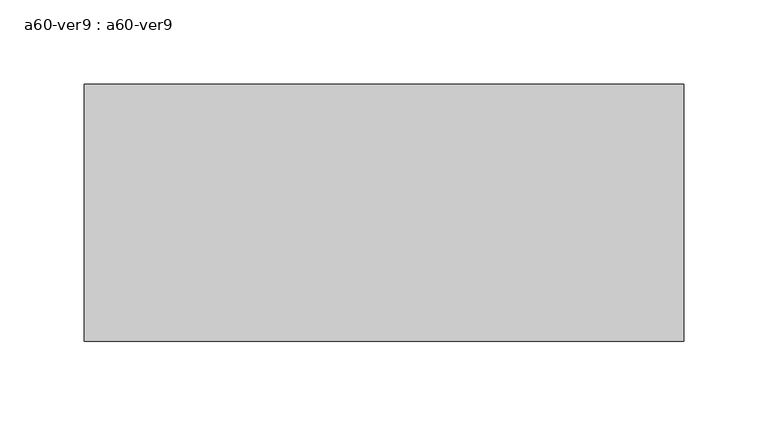
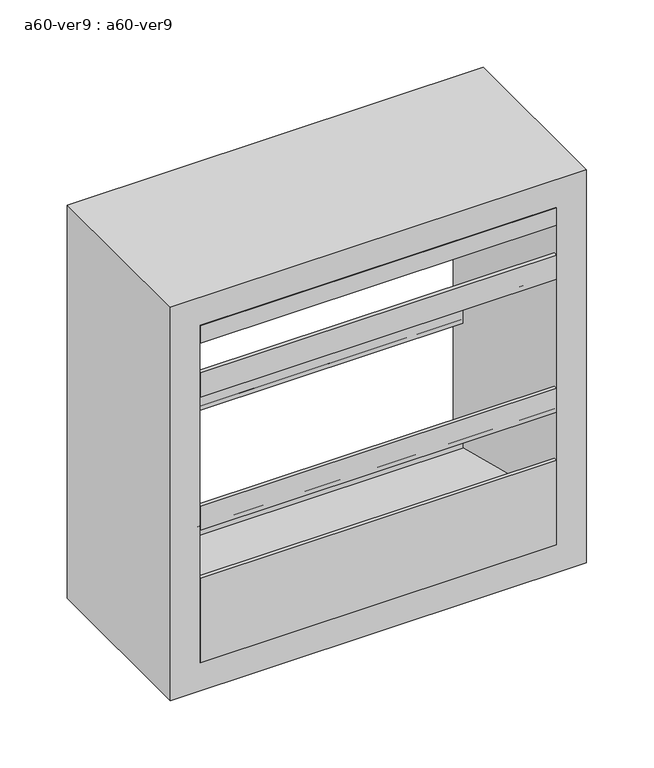
"""IFC4 building model written with IfcOpenShell, lengths in millimetres: proxy geometry, a60-ver9 : a60-ver9."""

from ifc_helpers import new_model, si_unit, frame, origin, place, context, project, spatial, polyline, outline, extrude, source, transform, mapped, element, save


def a60_ver9_a60_ver9_a715461c(model_context):
    return source(origin(), model_context, "Body", "SweptSolid", [
        extrude(outline(polyline([(-73.025, 1360.4657367), (-73.025, 1340.29979), (65.3071116, 1234.1538275), (65.3071116, 1216.3154476), (73.025, 1210.3933035), (73.025, 1235.1079125), (76.2, 1235.1079125), (76.2, 1206.5), (72.883344, 1206.5), (62.1321116, 1214.7497108), (62.1321116, 1232.5880908), (-76.2, 1338.7340533), (-76.2, 1360.4657367), (-73.025, 1360.4657367)])), frame((-152.4, 0.0, 0.0), z_axis=(1.0, 0.0, 0.0), x_axis=(0.0, 1.0, 0.0)), (0.0, 0.0, 1.0), 304.8),
        extrude(outline(polyline([(-73.025, 1481.1157367), (-73.025, 1460.94979), (65.3071116, 1354.8038275), (65.3071116, 1336.9654476), (73.025, 1331.0433035), (73.025, 1355.7579125), (76.2, 1355.7579125), (76.2, 1327.15), (72.883344, 1327.15), (62.1321116, 1335.3997108), (62.1321116, 1353.2380908), (-76.2, 1459.3840533), (-76.2, 1481.1157367), (-73.025, 1481.1157367)])), frame((-152.4, 0.0, 0.0), z_axis=(1.0, 0.0, 0.0), x_axis=(0.0, 1.0, 0.0)), (0.0, 0.0, 1.0), 304.8),
        extrude(outline(polyline([(0.0, 1508.125), (76.2, 1447.8), (71.0848317, 1447.8), (-5.1151683, 1508.125), (-76.2, 1508.125), (-76.2, 1524.0), (76.2, 1524.0), (0.0, 1508.125)])), frame((-152.4, 0.0, 0.0), z_axis=(1.0, 0.0, 0.0), x_axis=(0.0, 1.0, 0.0)), (0.0, 0.0, 1.0), 304.8),
        extrude(outline(polyline([(76.2, 1219.2), (-76.2, 1219.2), (-76.2, 1295.4), (-73.025, 1295.4), (-73.025, 1257.3), (76.2, 1219.2)])), frame((-152.4, 0.0, 0.0), z_axis=(1.0, 0.0, 0.0), x_axis=(0.0, 1.0, 0.0)), (0.0, 0.0, 1.0), 304.8),
        extrude(outline(polyline([(1193.8, -177.8), (1193.8, 177.8), (1549.4, 177.8), (1549.4, -177.8), (1193.8, -177.8)]), holes=[polyline([(1219.2, -152.4), (1524.0, -152.4), (1524.0, 152.4), (1219.2, 152.4), (1219.2, -152.4)])]), frame((0.0, -76.2, 0.0), z_axis=(0.0, 1.0, 0.0), x_axis=(0.0, 0.0, 1.0)), (0.0, 0.0, 1.0), 152.4),
    ])


if __name__ == "__main__":
    model = new_model("IFC4")
    model_context = context("Model", 3, world=origin())
    ifc_project = project(units=[si_unit("LENGTHUNIT", "METRE", prefix="MILLI")], contexts=[model_context])
    site = spatial("IfcSite", under=ifc_project)
    building = spatial("IfcBuilding", under=site)
    placement = place(None, origin())
    a60_ver9_a60_ver9_shape = a60_ver9_a60_ver9_a715461c(model_context)
    element("IfcBuildingElementProxy", 1, Name="a60-ver9 : a60-ver9", ObjectType="a60-ver9 : a60-ver9", at=placement, inside=building, context=model_context, shape_type="MappedRepresentation", body=[
        mapped(a60_ver9_a60_ver9_shape, transform((0.0, 0.0, 0.0), x_axis=(1.0, 0.0, 0.0), y_axis=(0.0, 1.0, 0.0), z_axis=(0.0, 0.0, 1.0))),
    ])
    save(model, "model.ifc")
